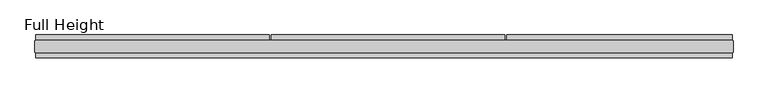
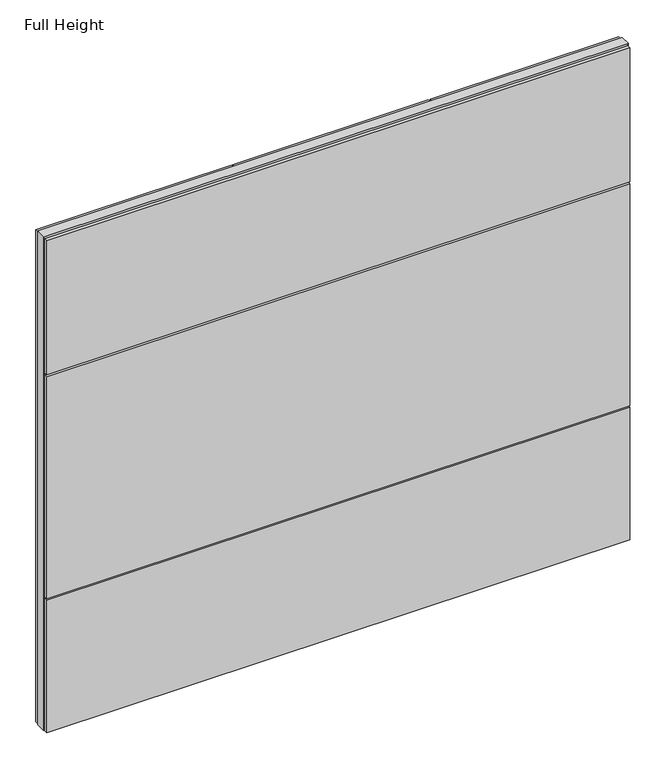
"""IFC4 building model written with IfcOpenShell, lengths in millimetres: plate geometry, Full Height."""

from ifc_helpers import new_model, si_unit, frame, origin, origin_with_axes, place, context, project, spatial, polyline, outline, extrude, source, transform, mapped, element, save


def full_height_8540e85c(model_context):
    return source(origin(), model_context, "Body", "SweptSolid", [
        extrude(outline(polyline([(1502.188114, 28.956), (529.811886, 28.956), (529.811886, 49.53), (1502.188114, 49.53), (1502.188114, 28.956)])), origin_with_axes(), (0.0, 0.0, 1.0), 2679.192),
        extrude(outline(polyline([(-486.188114, 49.53), (520.667886, 49.53), (520.667886, 28.956), (-486.188114, 28.956), (-486.188114, 49.53)])), origin_with_axes(), (0.0, 0.0, 1.0), 2679.192),
        extrude(outline(polyline([(-1502.188114, 49.53), (-495.332114, 49.53), (-495.332114, 28.956), (-1502.188114, 28.956), (-1502.188114, 49.53)])), origin_with_axes(), (0.0, 0.0, 1.0), 2679.192),
        extrude(outline(polyline([(1502.188114, -28.956), (1502.188114, -49.53), (-1502.188114, -49.53), (-1502.188114, -28.956), (1502.188114, -28.956)])), frame((0.0, 0.0, 1949.196), z_axis=(0.0, 0.0, 1.0), x_axis=(1.0, 0.0, 0.0)), (0.0, 0.0, 1.0), 729.996),
        extrude(outline(polyline([(1502.188114, -28.956), (1502.188114, -49.53), (-1502.188114, -49.53), (-1502.188114, -28.956), (1502.188114, -28.956)])), frame((0.0, 0.0, 729.996), z_axis=(0.0, 0.0, 1.0), x_axis=(1.0, 0.0, 0.0)), (0.0, 0.0, 1.0), 1210.056),
        extrude(outline(polyline([(1502.188114, -28.956), (1502.188114, -49.53), (-1502.188114, -49.53), (-1502.188114, -28.956), (1502.188114, -28.956)])), origin_with_axes(), (0.0, 0.0, 1.0), 720.852),
        extrude(outline(polyline([(1502.188114, -25.146), (1502.188114, -26.67), (-1502.188114, -26.67), (-1502.188114, -25.146), (-1506.760114, -25.146), (-1506.760114, 25.146), (-1502.188114, 25.146), (-1502.188114, 26.67), (1502.188114, 26.67), (1502.188114, 25.146), (1506.760114, 25.146), (1506.760114, -25.146), (1502.188114, -25.146)])), origin_with_axes(), (0.0, 0.0, 1.0), 2688.336),
    ])


if __name__ == "__main__":
    model = new_model("IFC4")
    model_context = context("Model", 3, world=origin())
    ifc_project = project(units=[si_unit("LENGTHUNIT", "METRE", prefix="MILLI")], contexts=[model_context])
    site = spatial("IfcSite", under=ifc_project)
    building = spatial("IfcBuilding", under=site)
    placement = place(None, origin())
    full_height_shape = full_height_8540e85c(model_context)
    element("IfcPlate", 1, ObjectType="Full Height", at=placement, inside=building, context=model_context, shape_type="MappedRepresentation", body=[
        mapped(full_height_shape, transform((0.0, 0.0, 0.0), x_axis=(1.0, 0.0, 0.0), y_axis=(0.0, 1.0, 0.0), z_axis=(0.0, 0.0, 1.0))),
    ])
    save(model, "model.ifc")
